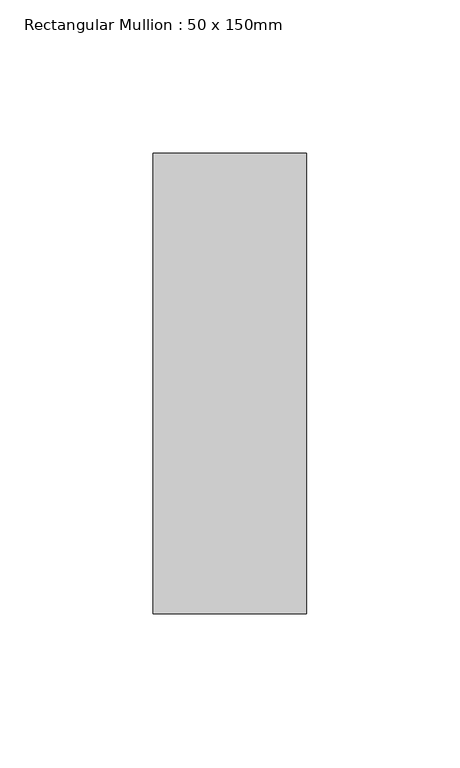
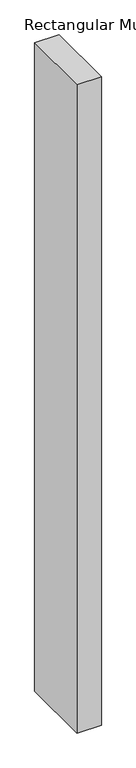
"""IFC4 building model written with IfcOpenShell, lengths in millimetres: member geometry, Rectangular Mullion : 50 x 150mm."""

import ifcopenshell
import ifcopenshell.guid

model = None  # the IFC model being written
_history = None  # IfcOwnerHistory: only IFC2X3 demands one
_inside = {}  # id of a spatial element -> (the spatial element, [elements in it])
_under = {}  # id of a project, library or spatial element -> (it, [spatial elements below it])
_declared = {}  # id of a project -> (the project, [libraries it declares])
_typed = {}  # id of a type object -> (the type object, [elements of that type])
_made_of = {}  # id of a material, layer set ... -> (it, [elements and type objects made of it])


def new_model(schema):
    """Start an empty IFC model of exactly this schema.

    Asked for "IFC4X3", IfcOpenShell would pick the latest addendum, in which some entities
    have other attributes; the version numbers below select the first issue.
    IFC2X3 requires an IfcOwnerHistory on every rooted entity: one is made here for all.
    """
    global model, _history
    if schema == "IFC4X3":
        model = ifcopenshell.file(schema_version=(4, 3, 0, 0))
    else:
        model = ifcopenshell.file(schema=schema)
    _inside.clear()
    _under.clear()
    _declared.clear()
    _typed.clear()
    _made_of.clear()
    _history = None
    if model.schema == "IFC2X3":
        org = make("IfcOrganization", Name="unknown")
        user = make(
            "IfcPersonAndOrganization",
            ThePerson=make("IfcPerson", FamilyName="unknown"),
            TheOrganization=org,
        )
        app = make(
            "IfcApplication",
            ApplicationDeveloper=org,
            Version="unknown",
            ApplicationFullName="unknown",
            ApplicationIdentifier="unknown",
        )
        _history = make(
            "IfcOwnerHistory",
            OwningUser=user,
            OwningApplication=app,
            ChangeAction="ADDED",
            CreationDate=0,
        )
    return model


def make(cls, **values):
    """One entity of the class cls with the attributes given. An attribute that is None is left unset."""
    return model.create_entity(
        cls, **{name: value for name, value in values.items() if value is not None}
    )


def rooted(cls, **values):
    """An entity with a GlobalId (a new one), such as an element, a storey or a relation."""
    return make(cls, GlobalId=ifcopenshell.guid.new(), OwnerHistory=_history, **values)


def si_unit(unit_type, name, prefix=None):
    """IfcSIUnit, for example si_unit("LENGTHUNIT", "METRE", prefix="MILLI")."""
    return make("IfcSIUnit", UnitType=unit_type, Prefix=prefix, Name=name)


def assignment(units):
    """IfcUnitAssignment: the units of a project."""
    return None if units is None else make("IfcUnitAssignment", Units=units)


def point(xyz):
    """IfcCartesianPoint."""
    return None if xyz is None else make("IfcCartesianPoint", Coordinates=xyz)


def direction(xyz):
    """IfcDirection."""
    return None if xyz is None else make("IfcDirection", DirectionRatios=xyz)


def frame(location, z_axis=None, x_axis=None):
    """IfcAxis2Placement3D, a coordinate frame: its origin and axes. An axis left out is left unset."""
    return make(
        "IfcAxis2Placement3D",
        Location=point(location),
        Axis=direction(z_axis),
        RefDirection=direction(x_axis),
    )


def origin():
    """The frame at (0, 0, 0) with its axes left unset."""
    return frame((0.0, 0.0, 0.0))


def place(relative_to, where):
    """IfcLocalPlacement: puts the frame where relative to a parent placement (None: the world)."""
    return make(
        "IfcLocalPlacement", PlacementRelTo=relative_to, RelativePlacement=where
    )


def context(
    kind, dimensions, precision=None, world=None, true_north=None, identifier=None
):
    """IfcGeometricRepresentationContext, for example the 3D "Model" context."""
    return make(
        "IfcGeometricRepresentationContext",
        ContextIdentifier=identifier,
        ContextType=kind,
        CoordinateSpaceDimension=dimensions,
        Precision=precision,
        WorldCoordinateSystem=world,
        TrueNorth=true_north,
    )


def project(units=None, contexts=None):
    """IfcProject with its units and contexts."""
    return rooted(
        "IfcProject",
        Name="project",
        RepresentationContexts=contexts,
        UnitsInContext=assignment(units),
    )


def spatial(cls, under=None, at=None, **own):
    """A site, building, storey or space (cls), placed at a placement, below another one or the project."""
    s = rooted(cls, ObjectPlacement=at, **own)
    if under is not None:
        _under.setdefault(under.id(), (under, []))[1].append(s)
    return s


def polyline(points):
    """IfcPolyline through the points."""
    return make("IfcPolyline", Points=[point(p) for p in points])


def outline(outer, holes=None, kind="AREA"):
    """IfcArbitraryClosedProfileDef: a profile drawn as a closed curve; with holes, ...WithVoids."""
    if holes is None:
        return make("IfcArbitraryClosedProfileDef", ProfileType=kind, OuterCurve=outer)
    return make(
        "IfcArbitraryProfileDefWithVoids",
        ProfileType=kind,
        OuterCurve=outer,
        InnerCurves=holes,
    )


def extrude(swept, where, along, depth):
    """IfcExtrudedAreaSolid: the profile swept, set in the frame where, extruded along a direction by depth."""
    return make(
        "IfcExtrudedAreaSolid",
        SweptArea=swept,
        Position=where,
        ExtrudedDirection=direction(along),
        Depth=depth,
    )


def shape(context_of_items, identifier, shape_type, items):
    """IfcShapeRepresentation: the items that make up one representation, for example the "Body"."""
    return make(
        "IfcShapeRepresentation",
        ContextOfItems=context_of_items,
        RepresentationIdentifier=identifier,
        RepresentationType=shape_type,
        Items=items,
    )


def source(mapping_origin, context_of_items, identifier, shape_type, items):
    """IfcRepresentationMap: a shape defined once, which mapped items show again and again."""
    return make(
        "IfcRepresentationMap",
        MappingOrigin=mapping_origin,
        MappedRepresentation=shape(context_of_items, identifier, shape_type, items),
    )


def transform(
    local_origin,
    x_axis=None,
    y_axis=None,
    z_axis=None,
    scale=None,
    scale2=None,
    scale3=None,
    uniform=True,
):
    """IfcCartesianTransformationOperator3D, or its non-uniform kind. x_axis, y_axis, z_axis: its Axis1, 2, 3."""
    if uniform:
        return make(
            "IfcCartesianTransformationOperator3D",
            Axis1=direction(x_axis),
            Axis2=direction(y_axis),
            LocalOrigin=point(local_origin),
            Scale=scale,
            Axis3=direction(z_axis),
        )
    return make(
        "IfcCartesianTransformationOperator3DnonUniform",
        Axis1=direction(x_axis),
        Axis2=direction(y_axis),
        LocalOrigin=point(local_origin),
        Scale=scale,
        Axis3=direction(z_axis),
        Scale2=scale2,
        Scale3=scale3,
    )


def mapped(mapping_source, mapping_target):
    """IfcMappedItem: shows the shape of a source again, moved by a transform."""
    return make(
        "IfcMappedItem", MappingSource=mapping_source, MappingTarget=mapping_target
    )


def made_of(thing, what):
    """Note that an element or type object is made of a material, layer set ...; save() writes the relation."""
    if what is not None:
        _made_of.setdefault(what.id(), (what, []))[1].append(thing)
    return thing


def element(
    cls,
    number,
    at=None,
    inside=None,
    cuts=None,
    type_object=None,
    material=None,
    context=None,
    identifier="Body",
    shape_type=None,
    held_by="IfcProductDefinitionShape",
    body=None,
    shapes=None,
    **own,
):
    """One element of the class cls, such as IfcWall. Its Tag is "e" and its number.

    at: its placement. inside: the storey or other place that contains it. cuts: it is an
    opening in that element (IfcRelVoidsElement). A single representation is given by context,
    identifier, shape_type and body (its items); several are given by shapes. held_by: the class
    of the entity that holds the representations. save() writes the other relations.
    """
    e = rooted(cls, Tag="e%d" % number, ObjectPlacement=at, **own)
    if body is not None:
        shapes = [shape(context, identifier, shape_type, body)]
    if shapes is not None:
        e.Representation = make(held_by, Representations=shapes)
    if inside is not None:
        _inside.setdefault(inside.id(), (inside, []))[1].append(e)
    if cuts is not None:
        rooted(
            "IfcRelVoidsElement", RelatingBuildingElement=cuts, RelatedOpeningElement=e
        )
    if type_object is not None:
        _typed.setdefault(type_object.id(), (type_object, []))[1].append(e)
    return made_of(e, material)


def aggregate(whole, parts):
    """IfcRelAggregates: a whole, such as a stair, and the parts it consists of."""
    return rooted("IfcRelAggregates", RelatingObject=whole, RelatedObjects=parts)


def save(model, path):
    """Write the relations noted so far, then the file.

    IfcRelAggregates (storeys below a building ...), IfcRelContainedInSpatialStructure (elements
    in a storey), IfcRelDefinesByType, IfcRelAssociatesMaterial and IfcRelDeclares: one each for
    every whole, place, type object, material and project.
    """
    for whole, parts in _under.values():
        aggregate(whole, parts)
    for where, things in _inside.values():
        rooted(
            "IfcRelContainedInSpatialStructure",
            RelatedElements=things,
            RelatingStructure=where,
        )
    for kind, things in _typed.values():
        rooted("IfcRelDefinesByType", RelatedObjects=things, RelatingType=kind)
    for what, things in _made_of.values():
        rooted("IfcRelAssociatesMaterial", RelatedObjects=things, RelatingMaterial=what)
    for by, libraries in _declared.values():
        rooted("IfcRelDeclares", RelatingContext=by, RelatedDefinitions=libraries)
    model.write(path)


def rectangular_mullion_50_x_150mm_4ab6167e(model_context):
    return source(origin(), model_context, "Body", "SweptSolid", [
        extrude(outline(polyline([(0.0, 75.0), (0.0, -75.0), (-50.0, -75.0), (-50.0, 75.0), (0.0, 75.0)])), frame((0.0, 0.0, -1405.6518706), z_axis=(0.0, 0.0, 1.0), x_axis=(1.0, 0.0, 0.0)), (0.0, 0.0, 1.0), 1405.6518706),
    ])


if __name__ == "__main__":
    model = new_model("IFC4")
    model_context = context("Model", 3, world=origin())
    ifc_project = project(units=[si_unit("LENGTHUNIT", "METRE", prefix="MILLI")], contexts=[model_context])
    site = spatial("IfcSite", under=ifc_project)
    building = spatial("IfcBuilding", under=site)
    placement = place(None, origin())
    rectangular_mullion_50_x_150mm_shape = rectangular_mullion_50_x_150mm_4ab6167e(model_context)
    element("IfcMember", 1, ObjectType="Rectangular Mullion : 50 x 150mm", at=placement, inside=building, context=model_context, shape_type="MappedRepresentation", body=[
        mapped(rectangular_mullion_50_x_150mm_shape, transform((0.0, 0.0, 0.0), x_axis=(1.0, 0.0, 0.0), y_axis=(0.0, 1.0, 0.0), z_axis=(0.0, 0.0, 1.0))),
    ])
    save(model, "model.ifc")
